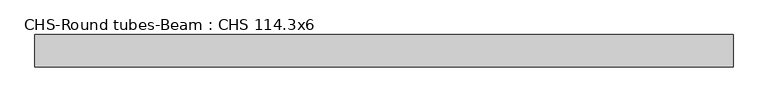
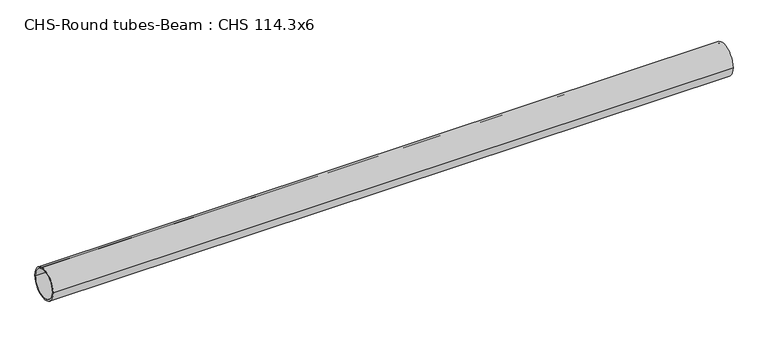
"""IFC4 building model written with IfcOpenShell, lengths in millimetres: beam geometry, CHS-Round tubes-Beam : CHS 114.3x6."""

from ifc_helpers import new_model, si_unit, point, frame, origin, origin_2d, place, context, project, spatial, circle_curve, trimmed, segment, composite_curve, outline, extrude, source, transform, mapped, element, save


def chs_round_tubes_beam_chs_114_3x6_a145e359(model_context):
    return source(origin(), model_context, "Body", "SweptSolid", [
        extrude(outline(composite_curve([segment(trimmed(circle_curve(origin_2d(), 57.15), [point((57.15, 0.0))], [point((-57.15, 0.0))], False, "CARTESIAN"), True, "CONTINUOUS"), segment(trimmed(circle_curve(origin_2d(), 57.15), [point((-57.15, 0.0))], [point((57.15, 0.0))], False, "CARTESIAN"), True, "CONTINUOUS")], self_intersect=False), holes=[composite_curve([segment(trimmed(circle_curve(origin_2d(), 51.15), [point((51.15, 0.0))], [point((-51.15, 0.0))], True, "CARTESIAN"), True, "CONTINUOUS"), segment(trimmed(circle_curve(origin_2d(), 51.15), [point((-51.15, 0.0))], [point((51.15, 0.0))], True, "CARTESIAN"), True, "CONTINUOUS")], self_intersect=False)]), frame((-1182.9068162, 0.0, 0.0), z_axis=(1.0, 0.0, 0.0), x_axis=(0.0, 1.0, 0.0)), (0.0, 0.0, 1.0), 2476.9971735),
    ])


if __name__ == "__main__":
    model = new_model("IFC4")
    model_context = context("Model", 3, world=origin())
    ifc_project = project(units=[si_unit("LENGTHUNIT", "METRE", prefix="MILLI")], contexts=[model_context])
    site = spatial("IfcSite", under=ifc_project)
    building = spatial("IfcBuilding", under=site)
    placement = place(None, origin())
    chs_round_tubes_beam_chs_114_3x6_shape = chs_round_tubes_beam_chs_114_3x6_a145e359(model_context)
    element("IfcBeam", 1, ObjectType="CHS-Round tubes-Beam : CHS 114.3x6", at=placement, inside=building, context=model_context, shape_type="MappedRepresentation", body=[
        mapped(chs_round_tubes_beam_chs_114_3x6_shape, transform((0.0, 0.0, 0.0), x_axis=(1.0, 0.0, 0.0), y_axis=(0.0, 1.0, 0.0), z_axis=(0.0, 0.0, 1.0))),
    ])
    save(model, "model.ifc")
